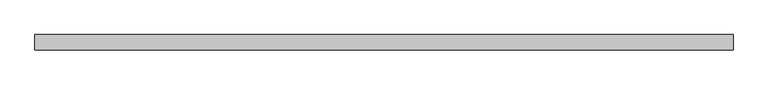
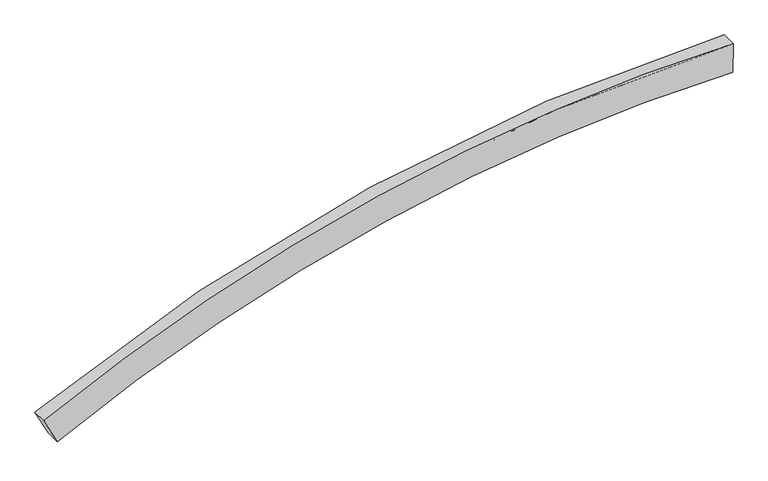
"""IFC4 building model written with IfcOpenShell, lengths in millimetres: proxy geometry."""

from ifc_helpers import new_model, si_unit, frame, origin, place, context, project, spatial, source, transform, mapped, element, save
from ifc_brep_helpers import plane_surface, extruded_surface, spline_curve, advanced_brep


def generic_models_b0e46847(model_context):
    return source(origin(), model_context, "Body", "AdvancedBrep", [
        advanced_brep(
        [(55287.7330905, 122434.5160789, 13968.9650857), (55262.8716201, 122434.5160789, 14018.4605924), (55262.8716201, 122462.7372648, 14018.4605924), (55287.7330905, 122462.7372648, 13968.9650857), (56541.122599, 122434.5160789, 14255.0844285), (56541.122599, 122462.7372648, 14255.0844285), (56542.0478872, 122462.7372648, 14310.4653072), (56542.0478872, 122434.5160789, 14310.4653072)],
        [
            (0, 1),
            (1, 2),
            (2, 3),
            (3, 0),
            (4, 5),
            (5, 6),
            (6, 7),
            (7, 4),
            (0, 4, spline_curve(3, [(55287.7330905, 122434.5160789, 13968.9650857), (55384.427578683, 122434.5160789, 14017.534487658), (55484.009508325, 122434.5160789, 14060.253854067), (55687.609672275, 122434.5160789, 14133.419323333), (55791.62790655, 122434.5160789, 14163.8654262), (56002.57156305, 122434.5160789, 14212.0234506), (56109.496985183, 122434.5160789, 14229.735372158), (56324.676543617, 122434.5160789, 14252.169681242), (56432.930679933, 122434.5160789, 14256.892068792), (56541.122599, 122434.5160789, 14255.0844285)], [4, 2, 2, 2, 4], [0.0, 0.25, 0.5, 0.75, 1.0])),
            (7, 1, spline_curve(3, [(56542.0478872, 122434.5160789, 14310.4653072), (56431.629573508, 122434.5160789, 14312.310145467), (56321.147428842, 122434.5160789, 14307.490556742), (56101.539726558, 122434.5160789, 14284.594598258), (55992.414169017, 122434.5160789, 14266.518228583), (55777.130436983, 122434.5160789, 14217.369394817), (55670.972262508, 122434.5160789, 14186.296930667), (55463.184447692, 122434.5160789, 14111.626689733), (55361.554807308, 122434.5160789, 14068.028912958), (55262.8716201, 122434.5160789, 14018.4605924)], [4, 2, 2, 2, 4], [0.0, 0.25, 0.5, 0.75, 1.0])),
            (6, 2, spline_curve(3, [(56542.0478872, 122462.7372648, 14310.4653072), (56431.629573508, 122462.7372648, 14312.310145467), (56321.147428842, 122462.7372648, 14307.490556742), (56101.539726558, 122462.7372648, 14284.594598258), (55992.414169017, 122462.7372648, 14266.518228583), (55777.130436983, 122462.7372648, 14217.369394817), (55670.972262508, 122462.7372648, 14186.296930667), (55463.184447692, 122462.7372648, 14111.626689733), (55361.554807308, 122462.7372648, 14068.028912958), (55262.8716201, 122462.7372648, 14018.4605924)], [4, 2, 2, 2, 4], [0.0, 0.25, 0.5, 0.75, 1.0])),
            (5, 3, spline_curve(3, [(56541.122599, 122462.7372648, 14255.0844285), (56432.930679933, 122462.7372648, 14256.892068792), (56324.676543617, 122462.7372648, 14252.169681242), (56109.496985183, 122462.7372648, 14229.735372158), (56002.57156305, 122462.7372648, 14212.0234506), (55791.62790655, 122462.7372648, 14163.8654262), (55687.609672275, 122462.7372648, 14133.419323333), (55484.009508325, 122462.7372648, 14060.253854067), (55384.427578683, 122462.7372648, 14017.534487658), (55287.7330905, 122462.7372648, 13968.9650857)], [4, 2, 2, 2, 4], [0.0, 0.25, 0.5, 0.75, 1.0])),
        ],
        [
            plane_surface(frame((55270.7521209, 122434.5160789, 14002.771682), z_axis=(-0.8936044520311199, 0.0, -0.448855303310724), x_axis=(0.0, 1.0, 0.0))),
            plane_surface(frame((56541.7545927, 122434.5160789, 14292.9108724), z_axis=(0.9998604552604333, 0.0, -0.01670538854379439), x_axis=(0.0, 1.0, 0.0))),
            plane_surface(frame((55897.0997348, 122434.5160789, 14187.9444384), z_axis=(0.0, -1.0000000000000002, 0.0), x_axis=(0.9749163901798408, 0.0, 0.2225714091223504))),
            extruded_surface(spline_curve(3, [(55262.8716201, 122434.5160789, 14018.4605924), (55361.554807308, 122434.5160789, 14068.028912958), (55463.184447692, 122434.5160789, 14111.626689733), (55670.972262508, 122434.5160789, 14186.296930667), (55777.130436983, 122434.5160789, 14217.369394817), (55992.414169017, 122434.5160789, 14266.518228583), (56101.539726558, 122434.5160789, 14284.594598258), (56321.147428842, 122434.5160789, 14307.490556742), (56431.629573508, 122434.5160789, 14312.310145467), (56542.0478872, 122434.5160789, 14310.4653072)], [4, 2, 2, 2, 4], [0.0, 0.25, 0.5, 0.75, 1.0]), (0.0, 28.221185900009004, 0.0), 28.221185900009004),
            plane_surface(frame((55884.772303, 122462.7372648, 14241.9438117), z_axis=(0.0, 1.0, 0.0), x_axis=(0.974916369160808, 0.0, 0.2225715011907568))),
            extruded_surface(spline_curve(3, [(55287.7330905, 122462.7372648, 13968.9650857), (55384.427578683, 122462.7372648, 14017.534487658), (55484.009508325, 122462.7372648, 14060.253854067), (55687.609672275, 122462.7372648, 14133.419323333), (55791.62790655, 122462.7372648, 14163.8654262), (56002.57156305, 122462.7372648, 14212.0234506), (56109.496985183, 122462.7372648, 14229.735372158), (56324.676543617, 122462.7372648, 14252.169681242), (56432.930679933, 122462.7372648, 14256.892068792), (56541.122599, 122462.7372648, 14255.0844285)], [4, 2, 2, 2, 4], [0.0, 0.25, 0.5, 0.75, 1.0]), (0.0, -28.221185900009004, 0.0), 28.221185900009004),
        ],
        [
            (0, [[1, 2, 3, 4]]),
            (1, [[5, 6, 7, 8]]),
            (2, [[-1, 9, -8, 10]]),
            (3, [[-2, -10, -7, 11]]),
            (4, [[-3, -11, -6, 12]]),
            (5, [[-4, -12, -5, -9]]),
        ],
    ),
    ])


if __name__ == "__main__":
    model = new_model("IFC4")
    model_context = context("Model", 3, world=origin())
    ifc_project = project(units=[si_unit("LENGTHUNIT", "METRE", prefix="MILLI")], contexts=[model_context])
    site = spatial("IfcSite", under=ifc_project)
    building = spatial("IfcBuilding", under=site)
    placement = place(None, origin())
    generic_models_shape = generic_models_b0e46847(model_context)
    element("IfcBuildingElementProxy", 1, Name="Generic Models", at=placement, inside=building, context=model_context, shape_type="MappedRepresentation", body=[
        mapped(generic_models_shape, transform((0.0, 0.0, 0.0), x_axis=(1.0, 0.0, 0.0), y_axis=(0.0, 1.0, 0.0), z_axis=(0.0, 0.0, 1.0))),
    ])
    save(model, "model.ifc")
